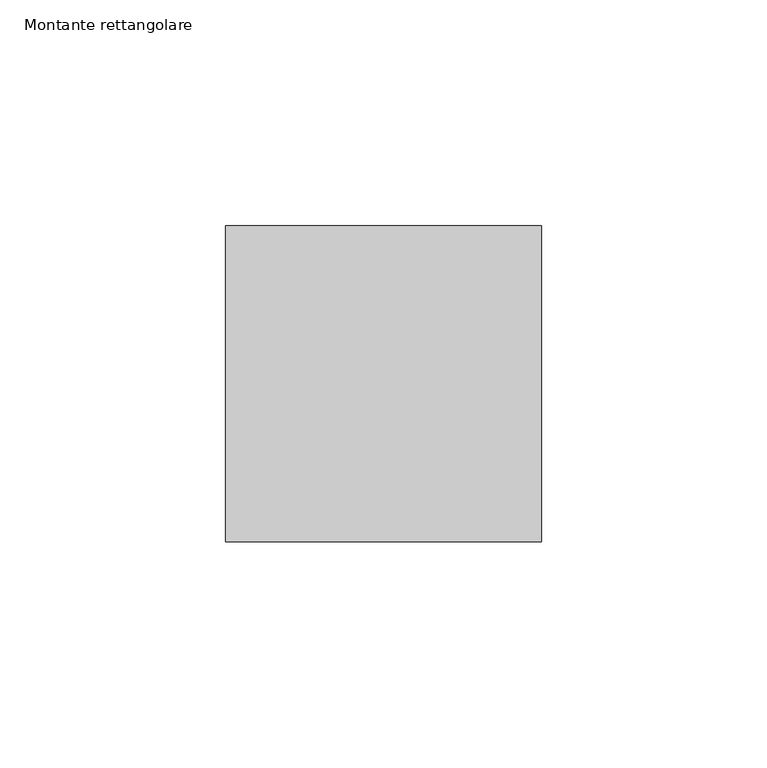
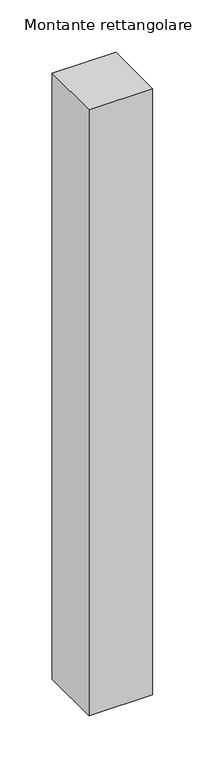
"""IFC4 building model written with IfcOpenShell, lengths in millimetres: member geometry, Montante rettangolare."""

from ifc_helpers import new_model, si_unit, frame, origin, place, context, project, spatial, polyline, outline, extrude, source, transform, mapped, element, save


def montante_rettangolare_064e6df0(model_context):
    return source(origin(), model_context, "Body", "SweptSolid", [
        extrude(outline(polyline([(35.0, 35.0), (35.0, -35.0), (-35.0, -35.0), (-35.0, 35.0), (35.0, 35.0)])), frame((0.0, 0.0, -704.8361775), z_axis=(0.0, 0.0, 1.0), x_axis=(1.0, 0.0, 0.0)), (0.0, 0.0, 1.0), 704.8361775),
    ])


if __name__ == "__main__":
    model = new_model("IFC4")
    model_context = context("Model", 3, world=origin())
    ifc_project = project(units=[si_unit("LENGTHUNIT", "METRE", prefix="MILLI")], contexts=[model_context])
    site = spatial("IfcSite", under=ifc_project)
    building = spatial("IfcBuilding", under=site)
    placement = place(None, origin())
    montante_rettangolare_shape = montante_rettangolare_064e6df0(model_context)
    element("IfcMember", 1, ObjectType="Montante rettangolare", at=placement, inside=building, context=model_context, shape_type="MappedRepresentation", body=[
        mapped(montante_rettangolare_shape, transform((0.0, 0.0, 0.0), x_axis=(1.0, 0.0, 0.0), y_axis=(0.0, 1.0, 0.0), z_axis=(0.0, 0.0, 1.0))),
    ])
    save(model, "model.ifc")
